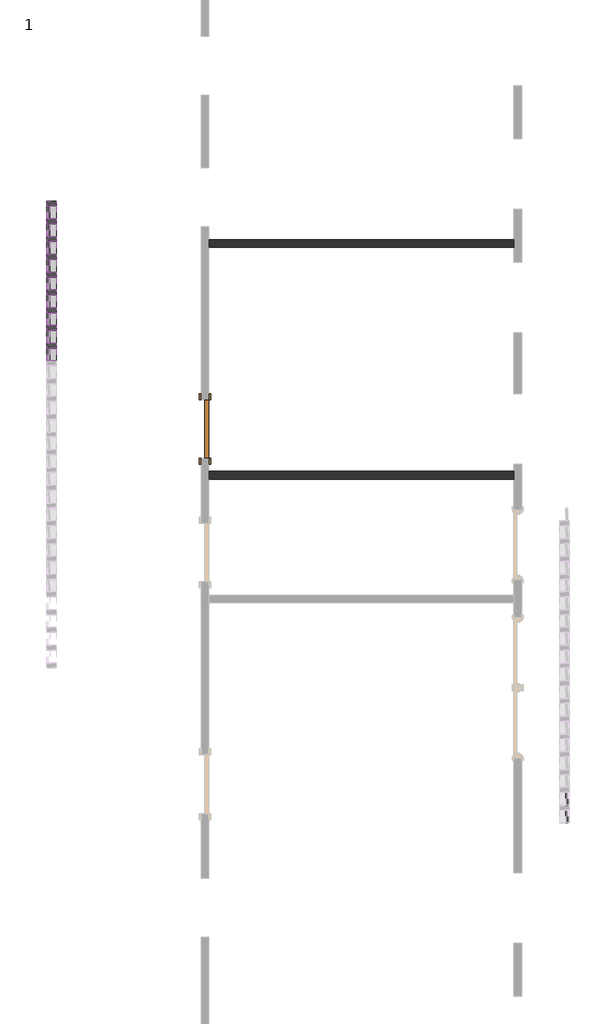
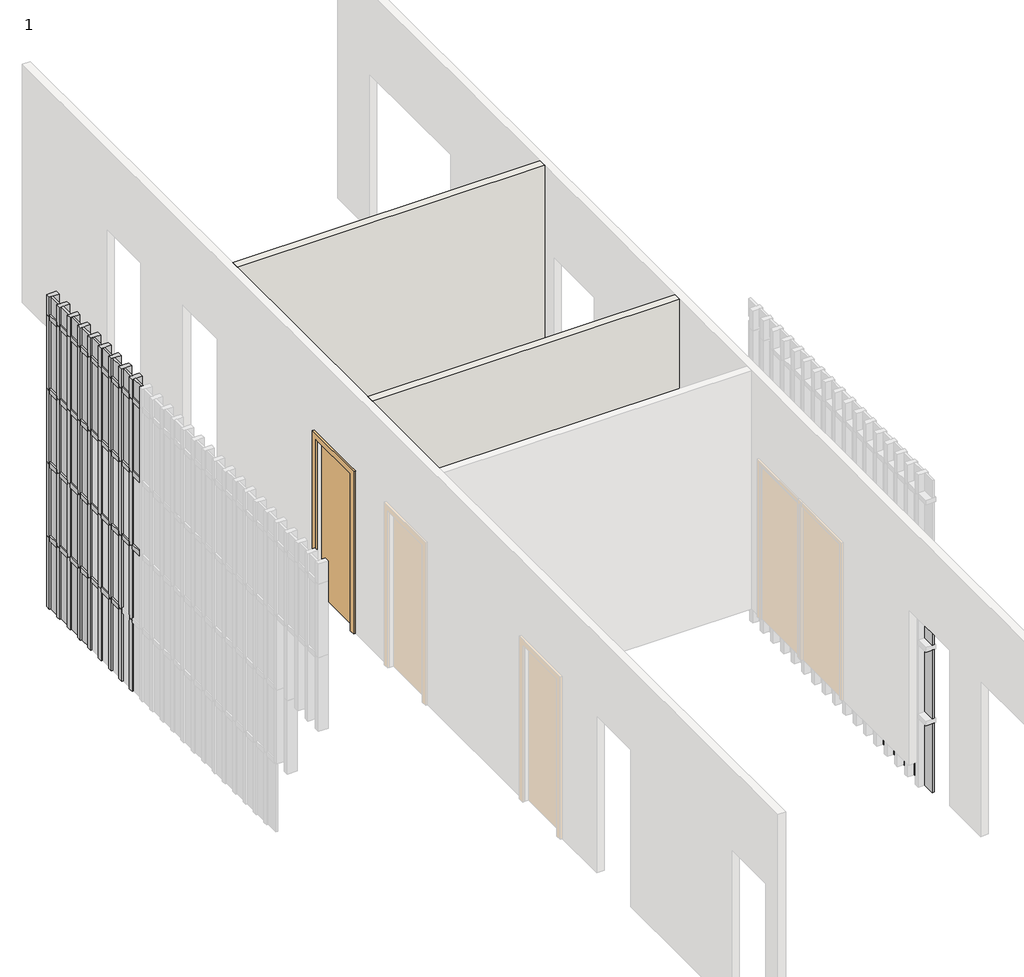
# One storey, part 28 of 40: 79 members, 42 plates, 2 walls, 1 door.
"""IFC4 building model written with IfcOpenShell, lengths in millimetres."""

import ifcopenshell
import ifcopenshell.guid

model = None  # the IFC model being written
_history = None  # IfcOwnerHistory: only IFC2X3 demands one
_inside = {}  # id of a spatial element -> (the spatial element, [elements in it])
_under = {}  # id of a project, library or spatial element -> (it, [spatial elements below it])
_declared = {}  # id of a project -> (the project, [libraries it declares])
_typed = {}  # id of a type object -> (the type object, [elements of that type])
_made_of = {}  # id of a material, layer set ... -> (it, [elements and type objects made of it])


def new_model(schema):
    """Start an empty IFC model of exactly this schema.

    Asked for "IFC4X3", IfcOpenShell would pick the latest addendum, in which some entities
    have other attributes; the version numbers below select the first issue.
    IFC2X3 requires an IfcOwnerHistory on every rooted entity: one is made here for all.
    """
    global model, _history
    if schema == "IFC4X3":
        model = ifcopenshell.file(schema_version=(4, 3, 0, 0))
    else:
        model = ifcopenshell.file(schema=schema)
    _inside.clear()
    _under.clear()
    _declared.clear()
    _typed.clear()
    _made_of.clear()
    _history = None
    if model.schema == "IFC2X3":
        org = make("IfcOrganization", Name="unknown")
        user = make(
            "IfcPersonAndOrganization",
            ThePerson=make("IfcPerson", FamilyName="unknown"),
            TheOrganization=org,
        )
        app = make(
            "IfcApplication",
            ApplicationDeveloper=org,
            Version="unknown",
            ApplicationFullName="unknown",
            ApplicationIdentifier="unknown",
        )
        _history = make(
            "IfcOwnerHistory",
            OwningUser=user,
            OwningApplication=app,
            ChangeAction="ADDED",
            CreationDate=0,
        )
    return model


def make(cls, **values):
    """One entity of the class cls with the attributes given. An attribute that is None is left unset."""
    return model.create_entity(
        cls, **{name: value for name, value in values.items() if value is not None}
    )


def rooted(cls, **values):
    """An entity with a GlobalId (a new one), such as an element, a storey or a relation."""
    return make(cls, GlobalId=ifcopenshell.guid.new(), OwnerHistory=_history, **values)


def si_unit(unit_type, name, prefix=None):
    """IfcSIUnit, for example si_unit("LENGTHUNIT", "METRE", prefix="MILLI")."""
    return make("IfcSIUnit", UnitType=unit_type, Prefix=prefix, Name=name)


def assignment(units):
    """IfcUnitAssignment: the units of a project."""
    return None if units is None else make("IfcUnitAssignment", Units=units)


def point(xyz):
    """IfcCartesianPoint."""
    return None if xyz is None else make("IfcCartesianPoint", Coordinates=xyz)


def direction(xyz):
    """IfcDirection."""
    return None if xyz is None else make("IfcDirection", DirectionRatios=xyz)


def frame(location, z_axis=None, x_axis=None):
    """IfcAxis2Placement3D, a coordinate frame: its origin and axes. An axis left out is left unset."""
    return make(
        "IfcAxis2Placement3D",
        Location=point(location),
        Axis=direction(z_axis),
        RefDirection=direction(x_axis),
    )


def origin():
    """The frame at (0, 0, 0) with its axes left unset."""
    return frame((0.0, 0.0, 0.0))


def origin_with_axes():
    """The frame at (0, 0, 0) with the z axis (0, 0, 1) and the x axis (1, 0, 0) written out."""
    return frame((0.0, 0.0, 0.0), z_axis=(0.0, 0.0, 1.0), x_axis=(1.0, 0.0, 0.0))


def place(relative_to, where):
    """IfcLocalPlacement: puts the frame where relative to a parent placement (None: the world)."""
    return make(
        "IfcLocalPlacement", PlacementRelTo=relative_to, RelativePlacement=where
    )


def context(
    kind, dimensions, precision=None, world=None, true_north=None, identifier=None
):
    """IfcGeometricRepresentationContext, for example the 3D "Model" context."""
    return make(
        "IfcGeometricRepresentationContext",
        ContextIdentifier=identifier,
        ContextType=kind,
        CoordinateSpaceDimension=dimensions,
        Precision=precision,
        WorldCoordinateSystem=world,
        TrueNorth=true_north,
    )


def project(units=None, contexts=None):
    """IfcProject with its units and contexts."""
    return rooted(
        "IfcProject",
        Name="project",
        RepresentationContexts=contexts,
        UnitsInContext=assignment(units),
    )


def spatial(cls, under=None, at=None, **own):
    """A site, building, storey or space (cls), placed at a placement, below another one or the project."""
    s = rooted(cls, ObjectPlacement=at, **own)
    if under is not None:
        _under.setdefault(under.id(), (under, []))[1].append(s)
    return s


def polyline(points):
    """IfcPolyline through the points."""
    return make("IfcPolyline", Points=[point(p) for p in points])


def outline(outer, holes=None, kind="AREA"):
    """IfcArbitraryClosedProfileDef: a profile drawn as a closed curve; with holes, ...WithVoids."""
    if holes is None:
        return make("IfcArbitraryClosedProfileDef", ProfileType=kind, OuterCurve=outer)
    return make(
        "IfcArbitraryProfileDefWithVoids",
        ProfileType=kind,
        OuterCurve=outer,
        InnerCurves=holes,
    )


def extrude(swept, where, along, depth):
    """IfcExtrudedAreaSolid: the profile swept, set in the frame where, extruded along a direction by depth."""
    return make(
        "IfcExtrudedAreaSolid",
        SweptArea=swept,
        Position=where,
        ExtrudedDirection=direction(along),
        Depth=depth,
    )


def shape(context_of_items, identifier, shape_type, items):
    """IfcShapeRepresentation: the items that make up one representation, for example the "Body"."""
    return make(
        "IfcShapeRepresentation",
        ContextOfItems=context_of_items,
        RepresentationIdentifier=identifier,
        RepresentationType=shape_type,
        Items=items,
    )


def source(mapping_origin, context_of_items, identifier, shape_type, items):
    """IfcRepresentationMap: a shape defined once, which mapped items show again and again."""
    return make(
        "IfcRepresentationMap",
        MappingOrigin=mapping_origin,
        MappedRepresentation=shape(context_of_items, identifier, shape_type, items),
    )


def transform(
    local_origin,
    x_axis=None,
    y_axis=None,
    z_axis=None,
    scale=None,
    scale2=None,
    scale3=None,
    uniform=True,
):
    """IfcCartesianTransformationOperator3D, or its non-uniform kind. x_axis, y_axis, z_axis: its Axis1, 2, 3."""
    if uniform:
        return make(
            "IfcCartesianTransformationOperator3D",
            Axis1=direction(x_axis),
            Axis2=direction(y_axis),
            LocalOrigin=point(local_origin),
            Scale=scale,
            Axis3=direction(z_axis),
        )
    return make(
        "IfcCartesianTransformationOperator3DnonUniform",
        Axis1=direction(x_axis),
        Axis2=direction(y_axis),
        LocalOrigin=point(local_origin),
        Scale=scale,
        Axis3=direction(z_axis),
        Scale2=scale2,
        Scale3=scale3,
    )


def mapped(mapping_source, mapping_target):
    """IfcMappedItem: shows the shape of a source again, moved by a transform."""
    return make(
        "IfcMappedItem", MappingSource=mapping_source, MappingTarget=mapping_target
    )


def made_of(thing, what):
    """Note that an element or type object is made of a material, layer set ...; save() writes the relation."""
    if what is not None:
        _made_of.setdefault(what.id(), (what, []))[1].append(thing)
    return thing


def element(
    cls,
    number,
    at=None,
    inside=None,
    cuts=None,
    type_object=None,
    material=None,
    context=None,
    identifier="Body",
    shape_type=None,
    held_by="IfcProductDefinitionShape",
    body=None,
    shapes=None,
    **own,
):
    """One element of the class cls, such as IfcWall. Its Tag is "e" and its number.

    at: its placement. inside: the storey or other place that contains it. cuts: it is an
    opening in that element (IfcRelVoidsElement). A single representation is given by context,
    identifier, shape_type and body (its items); several are given by shapes. held_by: the class
    of the entity that holds the representations. save() writes the other relations.
    """
    e = rooted(cls, Tag="e%d" % number, ObjectPlacement=at, **own)
    if body is not None:
        shapes = [shape(context, identifier, shape_type, body)]
    if shapes is not None:
        e.Representation = make(held_by, Representations=shapes)
    if inside is not None:
        _inside.setdefault(inside.id(), (inside, []))[1].append(e)
    if cuts is not None:
        rooted(
            "IfcRelVoidsElement", RelatingBuildingElement=cuts, RelatedOpeningElement=e
        )
    if type_object is not None:
        _typed.setdefault(type_object.id(), (type_object, []))[1].append(e)
    return made_of(e, material)


def aggregate(whole, parts):
    """IfcRelAggregates: a whole, such as a stair, and the parts it consists of."""
    return rooted("IfcRelAggregates", RelatingObject=whole, RelatedObjects=parts)


def save(model, path):
    """Write the relations noted so far, then the file.

    IfcRelAggregates (storeys below a building ...), IfcRelContainedInSpatialStructure (elements
    in a storey), IfcRelDefinesByType, IfcRelAssociatesMaterial and IfcRelDeclares: one each for
    every whole, place, type object, material and project.
    """
    for whole, parts in _under.values():
        aggregate(whole, parts)
    for where, things in _inside.values():
        rooted(
            "IfcRelContainedInSpatialStructure",
            RelatedElements=things,
            RelatingStructure=where,
        )
    for kind, things in _typed.values():
        rooted("IfcRelDefinesByType", RelatedObjects=things, RelatingType=kind)
    for what, things in _made_of.values():
        rooted("IfcRelAssociatesMaterial", RelatedObjects=things, RelatingMaterial=what)
    for by, libraries in _declared.values():
        rooted("IfcRelDeclares", RelatingContext=by, RelatedDefinitions=libraries)
    model.write(path)


def door_a6e3da16(model_context):
    return source(origin(), model_context, "Body", "SweptSolid", [
        extrude(outline(polyline([(2209.8, -457.2), (0.0, -457.2), (0.0, -381.0), (2133.6, -381.0), (2133.6, 381.0), (0.0, 381.0), (0.0, 457.2), (2209.8, 457.2), (2209.8, -457.2)])), frame((0.0, 50.0, 0.0), z_axis=(0.0, 1.0, 0.0), x_axis=(0.0, 0.0, 1.0)), (0.0, 0.0, 1.0), 25.4),
        extrude(outline(polyline([(2209.8, 457.2), (2209.8, -457.2), (0.0, -457.2), (0.0, -381.0), (2133.6, -381.0), (2133.6, 381.0), (0.0, 381.0), (0.0, 457.2), (2209.8, 457.2)])), frame((0.0, -75.4, 0.0), z_axis=(0.0, 1.0, 0.0), x_axis=(0.0, 0.0, 1.0)), (0.0, 0.0, 1.0), 25.4),
        extrude(outline(polyline([(381.0, -0.8), (-381.0, -0.8), (-381.0, 50.0), (381.0, 50.0), (381.0, -0.8)])), origin_with_axes(), (0.0, 0.0, 1.0), 2133.6),
    ])


def rectangular_mullion_rectangular_mullion_1_018ae7aa(model_context):
    return source(origin(), model_context, "Body", "SweptSolid", [
        extrude(outline(polyline([(31.75, 63.5), (31.75, -63.5), (-31.75, -63.5), (-31.75, 63.5), (31.75, 63.5)])), frame((0.0, 0.0, -166.5), z_axis=(0.0, 0.0, 1.0), x_axis=(1.0, 0.0, 0.0)), (0.0, 0.0, 1.0), 166.5),
    ])


def rectangular_mullion_rectangular_mullion_1_43f49249(model_context):
    return source(origin(), model_context, "Body", "SweptSolid", [
        extrude(outline(polyline([(31.75, 63.5), (31.75, -63.5), (-31.75, -63.5), (-31.75, 63.5), (31.75, 63.5)])), frame((0.0, 0.0, -968.25), z_axis=(0.0, 0.0, 1.0), x_axis=(1.0, 0.0, 0.0)), (0.0, 0.0, 1.0), 968.25),
    ])


def rectangular_mullion_rectangular_mullion_1_0daabb75(model_context):
    return source(origin(), model_context, "Body", "SweptSolid", [
        extrude(outline(polyline([(31.75, 63.5), (31.75, -63.5), (-31.75, -63.5), (-31.75, 63.5), (31.75, 63.5)])), frame((0.0, 0.0, -1000.0), z_axis=(0.0, 0.0, 1.0), x_axis=(1.0, 0.0, 0.0)), (0.0, 0.0, 1.0), 1000.0),
    ])


def rectangular_mullion_rectangular_mullion_1_7425881c(model_context):
    return source(origin(), model_context, "Body", "SweptSolid", [
        extrude(outline(polyline([(31.75, 63.5), (31.75, -63.5), (-31.75, -63.5), (-31.75, 63.5), (31.75, 63.5)])), frame((0.0, 0.0, -271.75), z_axis=(0.0, 0.0, 1.0), x_axis=(1.0, 0.0, 0.0)), (0.0, 0.0, 1.0), 271.75),
    ])


def system_panel_glazed_637935cf(model_context):
    return source(origin(), model_context, "Body", "SweptSolid", [
        extrude(outline(polyline([(83.25, -44.45), (-83.25, -44.45), (-83.25, -19.05), (83.25, -19.05), (83.25, -44.45)])), origin_with_axes(), (0.0, 0.0, 1.0), 936.5),
    ])


def system_panel_glazed_77c431bc(model_context):
    return source(origin(), model_context, "Body", "SweptSolid", [
        extrude(outline(polyline([(83.25, 19.05), (-83.25, 19.05), (-83.25, 44.45), (83.25, 44.45), (83.25, 19.05)])), origin_with_axes(), (0.0, 0.0, 1.0), 936.5),
    ])


def system_panel_glazed_fef320bd(model_context):
    return source(origin(), model_context, "Body", "SweptSolid", [
        extrude(outline(polyline([(83.25, 19.05), (-83.25, 19.05), (-83.25, 44.45), (83.25, 44.45), (83.25, 19.05)])), origin_with_axes(), (0.0, 0.0, 1.0), 240.0),
    ])


model = new_model("IFC4")

# Units and contexts
model_context = context("Model", 3, world=origin())
ifc_project = project(units=[si_unit("LENGTHUNIT", "METRE", prefix="MILLI")], contexts=[model_context])

# Site, building, storey
site = spatial("IfcSite", under=ifc_project)
building = spatial("IfcBuilding", under=site)
storey = spatial("IfcBuildingStorey", under=building, Name="1", Elevation=3600.0)

# Door
placement = place(None, origin())
door_shape = door_a6e3da16(model_context)
element("IfcDoor", 1, ObjectType="Single-Flush : 30\" x 84\"", at=placement, inside=storey, context=model_context, shape_type="MappedRepresentation", body=[
    mapped(door_shape, transform((4109.3871269, 5076.9445338, 3600.0), x_axis=(0.0, -1.0, 0.0), y_axis=(1.0, 0.0, 0.0), z_axis=(0.0, 0.0, 1.0))),
])

# Members
rectangular_mullion_rectangular_mullion_1_shape = rectangular_mullion_rectangular_mullion_1_018ae7aa(model_context)
element("IfcMember", 2, ObjectType="Rectangular Mullion : Rectangular Mullion 1", at=placement, inside=storey, context=model_context, shape_type="MappedRepresentation", body=[
    mapped(rectangular_mullion_rectangular_mullion_1_shape, transform((2122.3871269, 6583.4445338, 3568.25), x_axis=(0.0, 0.0, 1.0), y_axis=(1.0, 0.0, 0.0), z_axis=(0.0, 1.0, 0.0))),
])
element("IfcMember", 3, ObjectType="Rectangular Mullion : Rectangular Mullion 1", at=placement, inside=storey, context=model_context, shape_type="MappedRepresentation", body=[
    mapped(rectangular_mullion_rectangular_mullion_1_shape, transform((2122.3871269, 6813.4445338, 3568.25), x_axis=(0.0, 0.0, 1.0), y_axis=(1.0, 0.0, 0.0), z_axis=(0.0, 1.0, 0.0))),
])
element("IfcMember", 4, ObjectType="Rectangular Mullion : Rectangular Mullion 1", at=placement, inside=storey, context=model_context, shape_type="MappedRepresentation", body=[
    mapped(rectangular_mullion_rectangular_mullion_1_shape, transform((2122.3871269, 7043.4445338, 3568.25), x_axis=(0.0, 0.0, 1.0), y_axis=(1.0, 0.0, 0.0), z_axis=(0.0, 1.0, 0.0))),
])
element("IfcMember", 5, ObjectType="Rectangular Mullion : Rectangular Mullion 1", at=placement, inside=storey, context=model_context, shape_type="MappedRepresentation", body=[
    mapped(rectangular_mullion_rectangular_mullion_1_shape, transform((2122.3871269, 7273.4445338, 3568.25), x_axis=(0.0, 0.0, 1.0), y_axis=(1.0, 0.0, 0.0), z_axis=(0.0, 1.0, 0.0))),
])
element("IfcMember", 6, ObjectType="Rectangular Mullion : Rectangular Mullion 1", at=placement, inside=storey, context=model_context, shape_type="MappedRepresentation", body=[
    mapped(rectangular_mullion_rectangular_mullion_1_shape, transform((2122.3871269, 7503.4445338, 3568.25), x_axis=(0.0, 0.0, 1.0), y_axis=(1.0, 0.0, 0.0), z_axis=(0.0, 1.0, 0.0))),
])
element("IfcMember", 7, ObjectType="Rectangular Mullion : Rectangular Mullion 1", at=placement, inside=storey, context=model_context, shape_type="MappedRepresentation", body=[
    mapped(rectangular_mullion_rectangular_mullion_1_shape, transform((2122.3871269, 7733.4445338, 3568.25), x_axis=(0.0, 0.0, 1.0), y_axis=(1.0, 0.0, 0.0), z_axis=(0.0, 1.0, 0.0))),
])
element("IfcMember", 8, ObjectType="Rectangular Mullion : Rectangular Mullion 1", at=placement, inside=storey, context=model_context, shape_type="MappedRepresentation", body=[
    mapped(rectangular_mullion_rectangular_mullion_1_shape, transform((2122.3871269, 7963.4445338, 3568.25), x_axis=(0.0, 0.0, 1.0), y_axis=(1.0, 0.0, 0.0), z_axis=(0.0, 1.0, 0.0))),
])
element("IfcMember", 9, ObjectType="Rectangular Mullion : Rectangular Mullion 1", at=placement, inside=storey, context=model_context, shape_type="MappedRepresentation", body=[
    mapped(rectangular_mullion_rectangular_mullion_1_shape, transform((2122.3871269, 6123.4445338, 4568.25), x_axis=(0.0, 0.0, 1.0), y_axis=(1.0, 0.0, 0.0), z_axis=(0.0, 1.0, 0.0))),
])
element("IfcMember", 10, ObjectType="Rectangular Mullion : Rectangular Mullion 1", at=placement, inside=storey, context=model_context, shape_type="MappedRepresentation", body=[
    mapped(rectangular_mullion_rectangular_mullion_1_shape, transform((2122.3871269, 6353.4445338, 4568.25), x_axis=(0.0, 0.0, 1.0), y_axis=(1.0, 0.0, 0.0), z_axis=(0.0, 1.0, 0.0))),
])
element("IfcMember", 11, ObjectType="Rectangular Mullion : Rectangular Mullion 1", at=placement, inside=storey, context=model_context, shape_type="MappedRepresentation", body=[
    mapped(rectangular_mullion_rectangular_mullion_1_shape, transform((2122.3871269, 6583.4445338, 4568.25), x_axis=(0.0, 0.0, 1.0), y_axis=(1.0, 0.0, 0.0), z_axis=(0.0, 1.0, 0.0))),
])
element("IfcMember", 12, ObjectType="Rectangular Mullion : Rectangular Mullion 1", at=placement, inside=storey, context=model_context, shape_type="MappedRepresentation", body=[
    mapped(rectangular_mullion_rectangular_mullion_1_shape, transform((2122.3871269, 6813.4445338, 4568.25), x_axis=(0.0, 0.0, 1.0), y_axis=(1.0, 0.0, 0.0), z_axis=(0.0, 1.0, 0.0))),
])
element("IfcMember", 13, ObjectType="Rectangular Mullion : Rectangular Mullion 1", at=placement, inside=storey, context=model_context, shape_type="MappedRepresentation", body=[
    mapped(rectangular_mullion_rectangular_mullion_1_shape, transform((2122.3871269, 7043.4445338, 4568.25), x_axis=(0.0, 0.0, 1.0), y_axis=(1.0, 0.0, 0.0), z_axis=(0.0, 1.0, 0.0))),
])
element("IfcMember", 14, ObjectType="Rectangular Mullion : Rectangular Mullion 1", at=placement, inside=storey, context=model_context, shape_type="MappedRepresentation", body=[
    mapped(rectangular_mullion_rectangular_mullion_1_shape, transform((2122.3871269, 7273.4445338, 4568.25), x_axis=(0.0, 0.0, 1.0), y_axis=(1.0, 0.0, 0.0), z_axis=(0.0, 1.0, 0.0))),
])
element("IfcMember", 15, ObjectType="Rectangular Mullion : Rectangular Mullion 1", at=placement, inside=storey, context=model_context, shape_type="MappedRepresentation", body=[
    mapped(rectangular_mullion_rectangular_mullion_1_shape, transform((2122.3871269, 7503.4445338, 4568.25), x_axis=(0.0, 0.0, 1.0), y_axis=(1.0, 0.0, 0.0), z_axis=(0.0, 1.0, 0.0))),
])
element("IfcMember", 16, ObjectType="Rectangular Mullion : Rectangular Mullion 1", at=placement, inside=storey, context=model_context, shape_type="MappedRepresentation", body=[
    mapped(rectangular_mullion_rectangular_mullion_1_shape, transform((2122.3871269, 7733.4445338, 4568.25), x_axis=(0.0, 0.0, 1.0), y_axis=(1.0, 0.0, 0.0), z_axis=(0.0, 1.0, 0.0))),
])
element("IfcMember", 17, ObjectType="Rectangular Mullion : Rectangular Mullion 1", at=placement, inside=storey, context=model_context, shape_type="MappedRepresentation", body=[
    mapped(rectangular_mullion_rectangular_mullion_1_shape, transform((2122.3871269, 7963.4445338, 4568.25), x_axis=(0.0, 0.0, 1.0), y_axis=(1.0, 0.0, 0.0), z_axis=(0.0, 1.0, 0.0))),
])
element("IfcMember", 18, ObjectType="Rectangular Mullion : Rectangular Mullion 1", at=placement, inside=storey, context=model_context, shape_type="MappedRepresentation", body=[
    mapped(rectangular_mullion_rectangular_mullion_1_shape, transform((2122.3871269, 6123.4445338, 5568.25), x_axis=(0.0, 0.0, 1.0), y_axis=(1.0, 0.0, 0.0), z_axis=(0.0, 1.0, 0.0))),
])
element("IfcMember", 19, ObjectType="Rectangular Mullion : Rectangular Mullion 1", at=placement, inside=storey, context=model_context, shape_type="MappedRepresentation", body=[
    mapped(rectangular_mullion_rectangular_mullion_1_shape, transform((2122.3871269, 6353.4445338, 5568.25), x_axis=(0.0, 0.0, 1.0), y_axis=(1.0, 0.0, 0.0), z_axis=(0.0, 1.0, 0.0))),
])
element("IfcMember", 20, ObjectType="Rectangular Mullion : Rectangular Mullion 1", at=placement, inside=storey, context=model_context, shape_type="MappedRepresentation", body=[
    mapped(rectangular_mullion_rectangular_mullion_1_shape, transform((2122.3871269, 6583.4445338, 5568.25), x_axis=(0.0, 0.0, 1.0), y_axis=(1.0, 0.0, 0.0), z_axis=(0.0, 1.0, 0.0))),
])
element("IfcMember", 21, ObjectType="Rectangular Mullion : Rectangular Mullion 1", at=placement, inside=storey, context=model_context, shape_type="MappedRepresentation", body=[
    mapped(rectangular_mullion_rectangular_mullion_1_shape, transform((2122.3871269, 6813.4445338, 5568.25), x_axis=(0.0, 0.0, 1.0), y_axis=(1.0, 0.0, 0.0), z_axis=(0.0, 1.0, 0.0))),
])
element("IfcMember", 22, ObjectType="Rectangular Mullion : Rectangular Mullion 1", at=placement, inside=storey, context=model_context, shape_type="MappedRepresentation", body=[
    mapped(rectangular_mullion_rectangular_mullion_1_shape, transform((2122.3871269, 7043.4445338, 5568.25), x_axis=(0.0, 0.0, 1.0), y_axis=(1.0, 0.0, 0.0), z_axis=(0.0, 1.0, 0.0))),
])
element("IfcMember", 23, ObjectType="Rectangular Mullion : Rectangular Mullion 1", at=placement, inside=storey, context=model_context, shape_type="MappedRepresentation", body=[
    mapped(rectangular_mullion_rectangular_mullion_1_shape, transform((2122.3871269, 7273.4445338, 5568.25), x_axis=(0.0, 0.0, 1.0), y_axis=(1.0, 0.0, 0.0), z_axis=(0.0, 1.0, 0.0))),
])
element("IfcMember", 24, ObjectType="Rectangular Mullion : Rectangular Mullion 1", at=placement, inside=storey, context=model_context, shape_type="MappedRepresentation", body=[
    mapped(rectangular_mullion_rectangular_mullion_1_shape, transform((2122.3871269, 7503.4445338, 5568.25), x_axis=(0.0, 0.0, 1.0), y_axis=(1.0, 0.0, 0.0), z_axis=(0.0, 1.0, 0.0))),
])
element("IfcMember", 25, ObjectType="Rectangular Mullion : Rectangular Mullion 1", at=placement, inside=storey, context=model_context, shape_type="MappedRepresentation", body=[
    mapped(rectangular_mullion_rectangular_mullion_1_shape, transform((2122.3871269, 7733.4445338, 5568.25), x_axis=(0.0, 0.0, 1.0), y_axis=(1.0, 0.0, 0.0), z_axis=(0.0, 1.0, 0.0))),
])
element("IfcMember", 26, ObjectType="Rectangular Mullion : Rectangular Mullion 1", at=placement, inside=storey, context=model_context, shape_type="MappedRepresentation", body=[
    mapped(rectangular_mullion_rectangular_mullion_1_shape, transform((2122.3871269, 7963.4445338, 5568.25), x_axis=(0.0, 0.0, 1.0), y_axis=(1.0, 0.0, 0.0), z_axis=(0.0, 1.0, 0.0))),
])
element("IfcMember", 27, ObjectType="Rectangular Mullion : Rectangular Mullion 1", at=placement, inside=storey, context=model_context, shape_type="MappedRepresentation", body=[
    mapped(rectangular_mullion_rectangular_mullion_1_shape, transform((2122.3871269, 6123.4445338, 6568.25), x_axis=(0.0, 0.0, 1.0), y_axis=(1.0, 0.0, 0.0), z_axis=(0.0, 1.0, 0.0))),
])
element("IfcMember", 28, ObjectType="Rectangular Mullion : Rectangular Mullion 1", at=placement, inside=storey, context=model_context, shape_type="MappedRepresentation", body=[
    mapped(rectangular_mullion_rectangular_mullion_1_shape, transform((2122.3871269, 6353.4445338, 6568.25), x_axis=(0.0, 0.0, 1.0), y_axis=(1.0, 0.0, 0.0), z_axis=(0.0, 1.0, 0.0))),
])
element("IfcMember", 29, ObjectType="Rectangular Mullion : Rectangular Mullion 1", at=placement, inside=storey, context=model_context, shape_type="MappedRepresentation", body=[
    mapped(rectangular_mullion_rectangular_mullion_1_shape, transform((2122.3871269, 6583.4445338, 6568.25), x_axis=(0.0, 0.0, 1.0), y_axis=(1.0, 0.0, 0.0), z_axis=(0.0, 1.0, 0.0))),
])
element("IfcMember", 30, ObjectType="Rectangular Mullion : Rectangular Mullion 1", at=placement, inside=storey, context=model_context, shape_type="MappedRepresentation", body=[
    mapped(rectangular_mullion_rectangular_mullion_1_shape, transform((2122.3871269, 6813.4445338, 6568.25), x_axis=(0.0, 0.0, 1.0), y_axis=(1.0, 0.0, 0.0), z_axis=(0.0, 1.0, 0.0))),
])
element("IfcMember", 31, ObjectType="Rectangular Mullion : Rectangular Mullion 1", at=placement, inside=storey, context=model_context, shape_type="MappedRepresentation", body=[
    mapped(rectangular_mullion_rectangular_mullion_1_shape, transform((2122.3871269, 7043.4445338, 6568.25), x_axis=(0.0, 0.0, 1.0), y_axis=(1.0, 0.0, 0.0), z_axis=(0.0, 1.0, 0.0))),
])
element("IfcMember", 32, ObjectType="Rectangular Mullion : Rectangular Mullion 1", at=placement, inside=storey, context=model_context, shape_type="MappedRepresentation", body=[
    mapped(rectangular_mullion_rectangular_mullion_1_shape, transform((2122.3871269, 7273.4445338, 6568.25), x_axis=(0.0, 0.0, 1.0), y_axis=(1.0, 0.0, 0.0), z_axis=(0.0, 1.0, 0.0))),
])
element("IfcMember", 33, ObjectType="Rectangular Mullion : Rectangular Mullion 1", at=placement, inside=storey, context=model_context, shape_type="MappedRepresentation", body=[
    mapped(rectangular_mullion_rectangular_mullion_1_shape, transform((2122.3871269, 7503.4445338, 6568.25), x_axis=(0.0, 0.0, 1.0), y_axis=(1.0, 0.0, 0.0), z_axis=(0.0, 1.0, 0.0))),
])
element("IfcMember", 34, ObjectType="Rectangular Mullion : Rectangular Mullion 1", at=placement, inside=storey, context=model_context, shape_type="MappedRepresentation", body=[
    mapped(rectangular_mullion_rectangular_mullion_1_shape, transform((2122.3871269, 7733.4445338, 6568.25), x_axis=(0.0, 0.0, 1.0), y_axis=(1.0, 0.0, 0.0), z_axis=(0.0, 1.0, 0.0))),
])
element("IfcMember", 35, ObjectType="Rectangular Mullion : Rectangular Mullion 1", at=placement, inside=storey, context=model_context, shape_type="MappedRepresentation", body=[
    mapped(rectangular_mullion_rectangular_mullion_1_shape, transform((2122.3871269, 7963.4445338, 6568.25), x_axis=(0.0, 0.0, 1.0), y_axis=(1.0, 0.0, 0.0), z_axis=(0.0, 1.0, 0.0))),
])
rectangular_mullion_rectangular_mullion_1_2_shape = rectangular_mullion_rectangular_mullion_1_43f49249(model_context)
element("IfcMember", 36, ObjectType="Rectangular Mullion : Rectangular Mullion 1", at=placement, inside=storey, context=model_context, shape_type="MappedRepresentation", body=[
    mapped(rectangular_mullion_rectangular_mullion_1_2_shape, transform((2122.3871269, 6155.1945338, 2600.0), x_axis=(0.0, 1.0, 0.0), y_axis=(1.0, 0.0, 0.0), z_axis=(0.0, 0.0, -1.0))),
])
element("IfcMember", 37, ObjectType="Rectangular Mullion : Rectangular Mullion 1", at=placement, inside=storey, context=model_context, shape_type="MappedRepresentation", body=[
    mapped(rectangular_mullion_rectangular_mullion_1_2_shape, transform((2122.3871269, 6385.1945338, 2600.0), x_axis=(0.0, 1.0, 0.0), y_axis=(1.0, 0.0, 0.0), z_axis=(0.0, 0.0, -1.0))),
])
element("IfcMember", 38, ObjectType="Rectangular Mullion : Rectangular Mullion 1", at=placement, inside=storey, context=model_context, shape_type="MappedRepresentation", body=[
    mapped(rectangular_mullion_rectangular_mullion_1_2_shape, transform((2122.3871269, 6615.1945338, 2600.0), x_axis=(0.0, 1.0, 0.0), y_axis=(1.0, 0.0, 0.0), z_axis=(0.0, 0.0, -1.0))),
])
element("IfcMember", 39, ObjectType="Rectangular Mullion : Rectangular Mullion 1", at=placement, inside=storey, context=model_context, shape_type="MappedRepresentation", body=[
    mapped(rectangular_mullion_rectangular_mullion_1_2_shape, transform((2122.3871269, 6845.1945338, 2600.0), x_axis=(0.0, 1.0, 0.0), y_axis=(1.0, 0.0, 0.0), z_axis=(0.0, 0.0, -1.0))),
])
element("IfcMember", 40, ObjectType="Rectangular Mullion : Rectangular Mullion 1", at=placement, inside=storey, context=model_context, shape_type="MappedRepresentation", body=[
    mapped(rectangular_mullion_rectangular_mullion_1_2_shape, transform((2122.3871269, 7075.1945338, 2600.0), x_axis=(0.0, 1.0, 0.0), y_axis=(1.0, 0.0, 0.0), z_axis=(0.0, 0.0, -1.0))),
])
element("IfcMember", 41, ObjectType="Rectangular Mullion : Rectangular Mullion 1", at=placement, inside=storey, context=model_context, shape_type="MappedRepresentation", body=[
    mapped(rectangular_mullion_rectangular_mullion_1_2_shape, transform((2122.3871269, 7305.1945338, 2600.0), x_axis=(0.0, 1.0, 0.0), y_axis=(1.0, 0.0, 0.0), z_axis=(0.0, 0.0, -1.0))),
])
element("IfcMember", 42, ObjectType="Rectangular Mullion : Rectangular Mullion 1", at=placement, inside=storey, context=model_context, shape_type="MappedRepresentation", body=[
    mapped(rectangular_mullion_rectangular_mullion_1_2_shape, transform((2122.3871269, 7535.1945338, 2600.0), x_axis=(0.0, 1.0, 0.0), y_axis=(1.0, 0.0, 0.0), z_axis=(0.0, 0.0, -1.0))),
])
element("IfcMember", 43, ObjectType="Rectangular Mullion : Rectangular Mullion 1", at=placement, inside=storey, context=model_context, shape_type="MappedRepresentation", body=[
    mapped(rectangular_mullion_rectangular_mullion_1_2_shape, transform((2122.3871269, 7765.1945338, 2600.0), x_axis=(0.0, 1.0, 0.0), y_axis=(1.0, 0.0, 0.0), z_axis=(0.0, 0.0, -1.0))),
])
element("IfcMember", 44, ObjectType="Rectangular Mullion : Rectangular Mullion 1", at=placement, inside=storey, context=model_context, shape_type="MappedRepresentation", body=[
    mapped(rectangular_mullion_rectangular_mullion_1_2_shape, transform((2122.3871269, 7995.1945338, 2600.0), x_axis=(0.0, 1.0, 0.0), y_axis=(1.0, 0.0, 0.0), z_axis=(0.0, 0.0, -1.0))),
])
rectangular_mullion_rectangular_mullion_1_3_shape = rectangular_mullion_rectangular_mullion_1_0daabb75(model_context)
element("IfcMember", 45, ObjectType="Rectangular Mullion : Rectangular Mullion 1", at=placement, inside=storey, context=model_context, shape_type="MappedRepresentation", body=[
    mapped(rectangular_mullion_rectangular_mullion_1_3_shape, transform((2122.3871269, 6155.1945338, 3568.25), x_axis=(0.0, 1.0, 0.0), y_axis=(1.0, 0.0, 0.0), z_axis=(0.0, 0.0, -1.0))),
])
element("IfcMember", 46, ObjectType="Rectangular Mullion : Rectangular Mullion 1", at=placement, inside=storey, context=model_context, shape_type="MappedRepresentation", body=[
    mapped(rectangular_mullion_rectangular_mullion_1_3_shape, transform((2122.3871269, 6385.1945338, 3568.25), x_axis=(0.0, 1.0, 0.0), y_axis=(1.0, 0.0, 0.0), z_axis=(0.0, 0.0, -1.0))),
])
element("IfcMember", 47, ObjectType="Rectangular Mullion : Rectangular Mullion 1", at=placement, inside=storey, context=model_context, shape_type="MappedRepresentation", body=[
    mapped(rectangular_mullion_rectangular_mullion_1_3_shape, transform((2122.3871269, 6615.1945338, 3568.25), x_axis=(0.0, 1.0, 0.0), y_axis=(1.0, 0.0, 0.0), z_axis=(0.0, 0.0, -1.0))),
])
element("IfcMember", 48, ObjectType="Rectangular Mullion : Rectangular Mullion 1", at=placement, inside=storey, context=model_context, shape_type="MappedRepresentation", body=[
    mapped(rectangular_mullion_rectangular_mullion_1_3_shape, transform((2122.3871269, 6845.1945338, 3568.25), x_axis=(0.0, 1.0, 0.0), y_axis=(1.0, 0.0, 0.0), z_axis=(0.0, 0.0, -1.0))),
])
element("IfcMember", 49, ObjectType="Rectangular Mullion : Rectangular Mullion 1", at=placement, inside=storey, context=model_context, shape_type="MappedRepresentation", body=[
    mapped(rectangular_mullion_rectangular_mullion_1_3_shape, transform((2122.3871269, 7075.1945338, 3568.25), x_axis=(0.0, 1.0, 0.0), y_axis=(1.0, 0.0, 0.0), z_axis=(0.0, 0.0, -1.0))),
])
element("IfcMember", 50, ObjectType="Rectangular Mullion : Rectangular Mullion 1", at=placement, inside=storey, context=model_context, shape_type="MappedRepresentation", body=[
    mapped(rectangular_mullion_rectangular_mullion_1_3_shape, transform((2122.3871269, 7305.1945338, 3568.25), x_axis=(0.0, 1.0, 0.0), y_axis=(1.0, 0.0, 0.0), z_axis=(0.0, 0.0, -1.0))),
])
element("IfcMember", 51, ObjectType="Rectangular Mullion : Rectangular Mullion 1", at=placement, inside=storey, context=model_context, shape_type="MappedRepresentation", body=[
    mapped(rectangular_mullion_rectangular_mullion_1_3_shape, transform((2122.3871269, 7535.1945338, 3568.25), x_axis=(0.0, 1.0, 0.0), y_axis=(1.0, 0.0, 0.0), z_axis=(0.0, 0.0, -1.0))),
])
element("IfcMember", 52, ObjectType="Rectangular Mullion : Rectangular Mullion 1", at=placement, inside=storey, context=model_context, shape_type="MappedRepresentation", body=[
    mapped(rectangular_mullion_rectangular_mullion_1_3_shape, transform((2122.3871269, 7765.1945338, 3568.25), x_axis=(0.0, 1.0, 0.0), y_axis=(1.0, 0.0, 0.0), z_axis=(0.0, 0.0, -1.0))),
])
element("IfcMember", 53, ObjectType="Rectangular Mullion : Rectangular Mullion 1", at=placement, inside=storey, context=model_context, shape_type="MappedRepresentation", body=[
    mapped(rectangular_mullion_rectangular_mullion_1_3_shape, transform((2122.3871269, 7995.1945338, 3568.25), x_axis=(0.0, 1.0, 0.0), y_axis=(1.0, 0.0, 0.0), z_axis=(0.0, 0.0, -1.0))),
])
element("IfcMember", 54, ObjectType="Rectangular Mullion : Rectangular Mullion 1", at=placement, inside=storey, context=model_context, shape_type="MappedRepresentation", body=[
    mapped(rectangular_mullion_rectangular_mullion_1_3_shape, transform((2122.3871269, 6155.1945338, 4568.25), x_axis=(0.0, 1.0, 0.0), y_axis=(1.0, 0.0, 0.0), z_axis=(0.0, 0.0, -1.0))),
])
element("IfcMember", 55, ObjectType="Rectangular Mullion : Rectangular Mullion 1", at=placement, inside=storey, context=model_context, shape_type="MappedRepresentation", body=[
    mapped(rectangular_mullion_rectangular_mullion_1_3_shape, transform((2122.3871269, 6385.1945338, 4568.25), x_axis=(0.0, 1.0, 0.0), y_axis=(1.0, 0.0, 0.0), z_axis=(0.0, 0.0, -1.0))),
])
element("IfcMember", 56, ObjectType="Rectangular Mullion : Rectangular Mullion 1", at=placement, inside=storey, context=model_context, shape_type="MappedRepresentation", body=[
    mapped(rectangular_mullion_rectangular_mullion_1_3_shape, transform((2122.3871269, 6615.1945338, 4568.25), x_axis=(0.0, 1.0, 0.0), y_axis=(1.0, 0.0, 0.0), z_axis=(0.0, 0.0, -1.0))),
])
element("IfcMember", 57, ObjectType="Rectangular Mullion : Rectangular Mullion 1", at=placement, inside=storey, context=model_context, shape_type="MappedRepresentation", body=[
    mapped(rectangular_mullion_rectangular_mullion_1_3_shape, transform((2122.3871269, 6845.1945338, 4568.25), x_axis=(0.0, 1.0, 0.0), y_axis=(1.0, 0.0, 0.0), z_axis=(0.0, 0.0, -1.0))),
])
element("IfcMember", 58, ObjectType="Rectangular Mullion : Rectangular Mullion 1", at=placement, inside=storey, context=model_context, shape_type="MappedRepresentation", body=[
    mapped(rectangular_mullion_rectangular_mullion_1_3_shape, transform((2122.3871269, 7075.1945338, 4568.25), x_axis=(0.0, 1.0, 0.0), y_axis=(1.0, 0.0, 0.0), z_axis=(0.0, 0.0, -1.0))),
])
element("IfcMember", 59, ObjectType="Rectangular Mullion : Rectangular Mullion 1", at=placement, inside=storey, context=model_context, shape_type="MappedRepresentation", body=[
    mapped(rectangular_mullion_rectangular_mullion_1_3_shape, transform((2122.3871269, 7305.1945338, 4568.25), x_axis=(0.0, 1.0, 0.0), y_axis=(1.0, 0.0, 0.0), z_axis=(0.0, 0.0, -1.0))),
])
element("IfcMember", 60, ObjectType="Rectangular Mullion : Rectangular Mullion 1", at=placement, inside=storey, context=model_context, shape_type="MappedRepresentation", body=[
    mapped(rectangular_mullion_rectangular_mullion_1_3_shape, transform((2122.3871269, 7535.1945338, 4568.25), x_axis=(0.0, 1.0, 0.0), y_axis=(1.0, 0.0, 0.0), z_axis=(0.0, 0.0, -1.0))),
])
element("IfcMember", 61, ObjectType="Rectangular Mullion : Rectangular Mullion 1", at=placement, inside=storey, context=model_context, shape_type="MappedRepresentation", body=[
    mapped(rectangular_mullion_rectangular_mullion_1_3_shape, transform((2122.3871269, 7765.1945338, 4568.25), x_axis=(0.0, 1.0, 0.0), y_axis=(1.0, 0.0, 0.0), z_axis=(0.0, 0.0, -1.0))),
])
element("IfcMember", 62, ObjectType="Rectangular Mullion : Rectangular Mullion 1", at=placement, inside=storey, context=model_context, shape_type="MappedRepresentation", body=[
    mapped(rectangular_mullion_rectangular_mullion_1_3_shape, transform((2122.3871269, 7995.1945338, 4568.25), x_axis=(0.0, 1.0, 0.0), y_axis=(1.0, 0.0, 0.0), z_axis=(0.0, 0.0, -1.0))),
])
element("IfcMember", 63, ObjectType="Rectangular Mullion : Rectangular Mullion 1", at=placement, inside=storey, context=model_context, shape_type="MappedRepresentation", body=[
    mapped(rectangular_mullion_rectangular_mullion_1_3_shape, transform((2122.3871269, 6155.1945338, 5568.25), x_axis=(0.0, 1.0, 0.0), y_axis=(1.0, 0.0, 0.0), z_axis=(0.0, 0.0, -1.0))),
])
element("IfcMember", 64, ObjectType="Rectangular Mullion : Rectangular Mullion 1", at=placement, inside=storey, context=model_context, shape_type="MappedRepresentation", body=[
    mapped(rectangular_mullion_rectangular_mullion_1_3_shape, transform((2122.3871269, 6385.1945338, 5568.25), x_axis=(0.0, 1.0, 0.0), y_axis=(1.0, 0.0, 0.0), z_axis=(0.0, 0.0, -1.0))),
])
element("IfcMember", 65, ObjectType="Rectangular Mullion : Rectangular Mullion 1", at=placement, inside=storey, context=model_context, shape_type="MappedRepresentation", body=[
    mapped(rectangular_mullion_rectangular_mullion_1_3_shape, transform((2122.3871269, 6615.1945338, 5568.25), x_axis=(0.0, 1.0, 0.0), y_axis=(1.0, 0.0, 0.0), z_axis=(0.0, 0.0, -1.0))),
])
element("IfcMember", 66, ObjectType="Rectangular Mullion : Rectangular Mullion 1", at=placement, inside=storey, context=model_context, shape_type="MappedRepresentation", body=[
    mapped(rectangular_mullion_rectangular_mullion_1_3_shape, transform((2122.3871269, 6845.1945338, 5568.25), x_axis=(0.0, 1.0, 0.0), y_axis=(1.0, 0.0, 0.0), z_axis=(0.0, 0.0, -1.0))),
])
element("IfcMember", 67, ObjectType="Rectangular Mullion : Rectangular Mullion 1", at=placement, inside=storey, context=model_context, shape_type="MappedRepresentation", body=[
    mapped(rectangular_mullion_rectangular_mullion_1_3_shape, transform((2122.3871269, 7075.1945338, 5568.25), x_axis=(0.0, 1.0, 0.0), y_axis=(1.0, 0.0, 0.0), z_axis=(0.0, 0.0, -1.0))),
])
element("IfcMember", 68, ObjectType="Rectangular Mullion : Rectangular Mullion 1", at=placement, inside=storey, context=model_context, shape_type="MappedRepresentation", body=[
    mapped(rectangular_mullion_rectangular_mullion_1_3_shape, transform((2122.3871269, 7305.1945338, 5568.25), x_axis=(0.0, 1.0, 0.0), y_axis=(1.0, 0.0, 0.0), z_axis=(0.0, 0.0, -1.0))),
])
element("IfcMember", 69, ObjectType="Rectangular Mullion : Rectangular Mullion 1", at=placement, inside=storey, context=model_context, shape_type="MappedRepresentation", body=[
    mapped(rectangular_mullion_rectangular_mullion_1_3_shape, transform((2122.3871269, 7535.1945338, 5568.25), x_axis=(0.0, 1.0, 0.0), y_axis=(1.0, 0.0, 0.0), z_axis=(0.0, 0.0, -1.0))),
])
element("IfcMember", 70, ObjectType="Rectangular Mullion : Rectangular Mullion 1", at=placement, inside=storey, context=model_context, shape_type="MappedRepresentation", body=[
    mapped(rectangular_mullion_rectangular_mullion_1_3_shape, transform((2122.3871269, 7765.1945338, 5568.25), x_axis=(0.0, 1.0, 0.0), y_axis=(1.0, 0.0, 0.0), z_axis=(0.0, 0.0, -1.0))),
])
element("IfcMember", 71, ObjectType="Rectangular Mullion : Rectangular Mullion 1", at=placement, inside=storey, context=model_context, shape_type="MappedRepresentation", body=[
    mapped(rectangular_mullion_rectangular_mullion_1_3_shape, transform((2122.3871269, 7995.1945338, 5568.25), x_axis=(0.0, 1.0, 0.0), y_axis=(1.0, 0.0, 0.0), z_axis=(0.0, 0.0, -1.0))),
])
rectangular_mullion_rectangular_mullion_1_4_shape = rectangular_mullion_rectangular_mullion_1_7425881c(model_context)
element("IfcMember", 72, ObjectType="Rectangular Mullion : Rectangular Mullion 1", at=placement, inside=storey, context=model_context, shape_type="MappedRepresentation", body=[
    mapped(rectangular_mullion_rectangular_mullion_1_4_shape, transform((2122.3871269, 6155.1945338, 6568.25), x_axis=(0.0, 1.0, 0.0), y_axis=(1.0, 0.0, 0.0), z_axis=(0.0, 0.0, -1.0))),
])
element("IfcMember", 73, ObjectType="Rectangular Mullion : Rectangular Mullion 1", at=placement, inside=storey, context=model_context, shape_type="MappedRepresentation", body=[
    mapped(rectangular_mullion_rectangular_mullion_1_4_shape, transform((2122.3871269, 6385.1945338, 6568.25), x_axis=(0.0, 1.0, 0.0), y_axis=(1.0, 0.0, 0.0), z_axis=(0.0, 0.0, -1.0))),
])
element("IfcMember", 74, ObjectType="Rectangular Mullion : Rectangular Mullion 1", at=placement, inside=storey, context=model_context, shape_type="MappedRepresentation", body=[
    mapped(rectangular_mullion_rectangular_mullion_1_4_shape, transform((2122.3871269, 6615.1945338, 6568.25), x_axis=(0.0, 1.0, 0.0), y_axis=(1.0, 0.0, 0.0), z_axis=(0.0, 0.0, -1.0))),
])
element("IfcMember", 75, ObjectType="Rectangular Mullion : Rectangular Mullion 1", at=placement, inside=storey, context=model_context, shape_type="MappedRepresentation", body=[
    mapped(rectangular_mullion_rectangular_mullion_1_4_shape, transform((2122.3871269, 6845.1945338, 6568.25), x_axis=(0.0, 1.0, 0.0), y_axis=(1.0, 0.0, 0.0), z_axis=(0.0, 0.0, -1.0))),
])
element("IfcMember", 76, ObjectType="Rectangular Mullion : Rectangular Mullion 1", at=placement, inside=storey, context=model_context, shape_type="MappedRepresentation", body=[
    mapped(rectangular_mullion_rectangular_mullion_1_4_shape, transform((2122.3871269, 7075.1945338, 6568.25), x_axis=(0.0, 1.0, 0.0), y_axis=(1.0, 0.0, 0.0), z_axis=(0.0, 0.0, -1.0))),
])
element("IfcMember", 77, ObjectType="Rectangular Mullion : Rectangular Mullion 1", at=placement, inside=storey, context=model_context, shape_type="MappedRepresentation", body=[
    mapped(rectangular_mullion_rectangular_mullion_1_4_shape, transform((2122.3871269, 7305.1945338, 6568.25), x_axis=(0.0, 1.0, 0.0), y_axis=(1.0, 0.0, 0.0), z_axis=(0.0, 0.0, -1.0))),
])
element("IfcMember", 78, ObjectType="Rectangular Mullion : Rectangular Mullion 1", at=placement, inside=storey, context=model_context, shape_type="MappedRepresentation", body=[
    mapped(rectangular_mullion_rectangular_mullion_1_4_shape, transform((2122.3871269, 7535.1945338, 6568.25), x_axis=(0.0, 1.0, 0.0), y_axis=(1.0, 0.0, 0.0), z_axis=(0.0, 0.0, -1.0))),
])
element("IfcMember", 79, ObjectType="Rectangular Mullion : Rectangular Mullion 1", at=placement, inside=storey, context=model_context, shape_type="MappedRepresentation", body=[
    mapped(rectangular_mullion_rectangular_mullion_1_4_shape, transform((2122.3871269, 7765.1945338, 6568.25), x_axis=(0.0, 1.0, 0.0), y_axis=(1.0, 0.0, 0.0), z_axis=(0.0, 0.0, -1.0))),
])
element("IfcMember", 80, ObjectType="Rectangular Mullion : Rectangular Mullion 1", at=placement, inside=storey, context=model_context, shape_type="MappedRepresentation", body=[
    mapped(rectangular_mullion_rectangular_mullion_1_4_shape, transform((2122.3871269, 7995.1945338, 6568.25), x_axis=(0.0, 1.0, 0.0), y_axis=(1.0, 0.0, 0.0), z_axis=(0.0, 0.0, -1.0))),
])

# Plates
system_panel_glazed_shape = system_panel_glazed_637935cf(model_context)
element("IfcPlate", 81, ObjectType="System Panel : Glazed", at=placement, inside=storey, context=model_context, shape_type="MappedRepresentation", body=[
    mapped(system_panel_glazed_shape, transform((8762.3871269, 60.1945338, 2600.0), x_axis=(0.0, 1.0, 0.0), y_axis=(-1.0, 0.0, 0.0), z_axis=(0.0, 0.0, 1.0))),
])
element("IfcPlate", 82, ObjectType="System Panel : Glazed", at=placement, inside=storey, context=model_context, shape_type="MappedRepresentation", body=[
    mapped(system_panel_glazed_shape, transform((8762.3871269, 290.1945338, 2600.0), x_axis=(0.0, 1.0, 0.0), y_axis=(-1.0, 0.0, 0.0), z_axis=(0.0, 0.0, 1.0))),
])
element("IfcPlate", 83, ObjectType="System Panel : Glazed", at=placement, inside=storey, context=model_context, shape_type="MappedRepresentation", body=[
    mapped(system_panel_glazed_shape, transform((8762.3871269, 520.1945338, 2600.0), x_axis=(0.0, 1.0, 0.0), y_axis=(-1.0, 0.0, 0.0), z_axis=(0.0, 0.0, 1.0))),
])
element("IfcPlate", 84, ObjectType="System Panel : Glazed", at=placement, inside=storey, context=model_context, shape_type="MappedRepresentation", body=[
    mapped(system_panel_glazed_shape, transform((8762.3871269, 750.1945338, 2600.0), x_axis=(0.0, 1.0, 0.0), y_axis=(-1.0, 0.0, 0.0), z_axis=(0.0, 0.0, 1.0))),
])
element("IfcPlate", 85, ObjectType="System Panel : Glazed", at=placement, inside=storey, context=model_context, shape_type="MappedRepresentation", body=[
    mapped(system_panel_glazed_shape, transform((8762.3871269, 980.1945338, 2600.0), x_axis=(0.0, 1.0, 0.0), y_axis=(-1.0, 0.0, 0.0), z_axis=(0.0, 0.0, 1.0))),
])
element("IfcPlate", 86, ObjectType="System Panel : Glazed", at=placement, inside=storey, context=model_context, shape_type="MappedRepresentation", body=[
    mapped(system_panel_glazed_shape, transform((8762.3871269, 60.1945338, 3600.0), x_axis=(0.0, 1.0, 0.0), y_axis=(-1.0, 0.0, 0.0), z_axis=(0.0, 0.0, 1.0))),
])
element("IfcPlate", 87, ObjectType="System Panel : Glazed", at=placement, inside=storey, context=model_context, shape_type="MappedRepresentation", body=[
    mapped(system_panel_glazed_shape, transform((8762.3871269, 290.1945338, 3600.0), x_axis=(0.0, 1.0, 0.0), y_axis=(-1.0, 0.0, 0.0), z_axis=(0.0, 0.0, 1.0))),
])
element("IfcPlate", 88, ObjectType="System Panel : Glazed", at=placement, inside=storey, context=model_context, shape_type="MappedRepresentation", body=[
    mapped(system_panel_glazed_shape, transform((8762.3871269, 520.1945338, 3600.0), x_axis=(0.0, 1.0, 0.0), y_axis=(-1.0, 0.0, 0.0), z_axis=(0.0, 0.0, 1.0))),
])
element("IfcPlate", 89, ObjectType="System Panel : Glazed", at=placement, inside=storey, context=model_context, shape_type="MappedRepresentation", body=[
    mapped(system_panel_glazed_shape, transform((8762.3871269, 750.1945338, 3600.0), x_axis=(0.0, 1.0, 0.0), y_axis=(-1.0, 0.0, 0.0), z_axis=(0.0, 0.0, 1.0))),
])
element("IfcPlate", 90, ObjectType="System Panel : Glazed", at=placement, inside=storey, context=model_context, shape_type="MappedRepresentation", body=[
    mapped(system_panel_glazed_shape, transform((8762.3871269, 980.1945338, 3600.0), x_axis=(0.0, 1.0, 0.0), y_axis=(-1.0, 0.0, 0.0), z_axis=(0.0, 0.0, 1.0))),
])
element("IfcPlate", 91, ObjectType="System Panel : Glazed", at=placement, inside=storey, context=model_context, shape_type="MappedRepresentation", body=[
    mapped(system_panel_glazed_shape, transform((8762.3871269, 60.1945338, 4600.0), x_axis=(0.0, 1.0, 0.0), y_axis=(-1.0, 0.0, 0.0), z_axis=(0.0, 0.0, 1.0))),
])
element("IfcPlate", 92, ObjectType="System Panel : Glazed", at=placement, inside=storey, context=model_context, shape_type="MappedRepresentation", body=[
    mapped(system_panel_glazed_shape, transform((8762.3871269, 290.1945338, 4600.0), x_axis=(0.0, 1.0, 0.0), y_axis=(-1.0, 0.0, 0.0), z_axis=(0.0, 0.0, 1.0))),
])
system_panel_glazed_2_shape = system_panel_glazed_77c431bc(model_context)
element("IfcPlate", 93, ObjectType="System Panel : Glazed", at=placement, inside=storey, context=model_context, shape_type="MappedRepresentation", body=[
    mapped(system_panel_glazed_2_shape, transform((2122.3871269, 7190.1945338, 2600.0), x_axis=(0.0, 1.0, 0.0), y_axis=(-1.0, 0.0, 0.0), z_axis=(0.0, 0.0, 1.0))),
])
element("IfcPlate", 94, ObjectType="System Panel : Glazed", at=placement, inside=storey, context=model_context, shape_type="MappedRepresentation", body=[
    mapped(system_panel_glazed_2_shape, transform((2122.3871269, 7420.1945338, 2600.0), x_axis=(0.0, 1.0, 0.0), y_axis=(-1.0, 0.0, 0.0), z_axis=(0.0, 0.0, 1.0))),
])
element("IfcPlate", 95, ObjectType="System Panel : Glazed", at=placement, inside=storey, context=model_context, shape_type="MappedRepresentation", body=[
    mapped(system_panel_glazed_2_shape, transform((2122.3871269, 7650.1945338, 2600.0), x_axis=(0.0, 1.0, 0.0), y_axis=(-1.0, 0.0, 0.0), z_axis=(0.0, 0.0, 1.0))),
])
element("IfcPlate", 96, ObjectType="System Panel : Glazed", at=placement, inside=storey, context=model_context, shape_type="MappedRepresentation", body=[
    mapped(system_panel_glazed_2_shape, transform((2122.3871269, 7880.1945338, 2600.0), x_axis=(0.0, 1.0, 0.0), y_axis=(-1.0, 0.0, 0.0), z_axis=(0.0, 0.0, 1.0))),
])
element("IfcPlate", 97, ObjectType="System Panel : Glazed", at=placement, inside=storey, context=model_context, shape_type="MappedRepresentation", body=[
    mapped(system_panel_glazed_2_shape, transform((2122.3871269, 7190.1945338, 3600.0), x_axis=(0.0, 1.0, 0.0), y_axis=(-1.0, 0.0, 0.0), z_axis=(0.0, 0.0, 1.0))),
])
element("IfcPlate", 98, ObjectType="System Panel : Glazed", at=placement, inside=storey, context=model_context, shape_type="MappedRepresentation", body=[
    mapped(system_panel_glazed_2_shape, transform((2122.3871269, 7420.1945338, 3600.0), x_axis=(0.0, 1.0, 0.0), y_axis=(-1.0, 0.0, 0.0), z_axis=(0.0, 0.0, 1.0))),
])
element("IfcPlate", 99, ObjectType="System Panel : Glazed", at=placement, inside=storey, context=model_context, shape_type="MappedRepresentation", body=[
    mapped(system_panel_glazed_2_shape, transform((2122.3871269, 7650.1945338, 3600.0), x_axis=(0.0, 1.0, 0.0), y_axis=(-1.0, 0.0, 0.0), z_axis=(0.0, 0.0, 1.0))),
])
element("IfcPlate", 100, ObjectType="System Panel : Glazed", at=placement, inside=storey, context=model_context, shape_type="MappedRepresentation", body=[
    mapped(system_panel_glazed_2_shape, transform((2122.3871269, 7880.1945338, 3600.0), x_axis=(0.0, 1.0, 0.0), y_axis=(-1.0, 0.0, 0.0), z_axis=(0.0, 0.0, 1.0))),
])
element("IfcPlate", 101, ObjectType="System Panel : Glazed", at=placement, inside=storey, context=model_context, shape_type="MappedRepresentation", body=[
    mapped(system_panel_glazed_2_shape, transform((2122.3871269, 7190.1945338, 4600.0), x_axis=(0.0, 1.0, 0.0), y_axis=(-1.0, 0.0, 0.0), z_axis=(0.0, 0.0, 1.0))),
])
element("IfcPlate", 102, ObjectType="System Panel : Glazed", at=placement, inside=storey, context=model_context, shape_type="MappedRepresentation", body=[
    mapped(system_panel_glazed_2_shape, transform((2122.3871269, 7420.1945338, 4600.0), x_axis=(0.0, 1.0, 0.0), y_axis=(-1.0, 0.0, 0.0), z_axis=(0.0, 0.0, 1.0))),
])
element("IfcPlate", 103, ObjectType="System Panel : Glazed", at=placement, inside=storey, context=model_context, shape_type="MappedRepresentation", body=[
    mapped(system_panel_glazed_2_shape, transform((2122.3871269, 7650.1945338, 4600.0), x_axis=(0.0, 1.0, 0.0), y_axis=(-1.0, 0.0, 0.0), z_axis=(0.0, 0.0, 1.0))),
])
element("IfcPlate", 104, ObjectType="System Panel : Glazed", at=placement, inside=storey, context=model_context, shape_type="MappedRepresentation", body=[
    mapped(system_panel_glazed_2_shape, transform((2122.3871269, 7880.1945338, 4600.0), x_axis=(0.0, 1.0, 0.0), y_axis=(-1.0, 0.0, 0.0), z_axis=(0.0, 0.0, 1.0))),
])
element("IfcPlate", 105, ObjectType="System Panel : Glazed", at=placement, inside=storey, context=model_context, shape_type="MappedRepresentation", body=[
    mapped(system_panel_glazed_2_shape, transform((2122.3871269, 6040.1945338, 5600.0), x_axis=(0.0, 1.0, 0.0), y_axis=(-1.0, 0.0, 0.0), z_axis=(0.0, 0.0, 1.0))),
])
element("IfcPlate", 106, ObjectType="System Panel : Glazed", at=placement, inside=storey, context=model_context, shape_type="MappedRepresentation", body=[
    mapped(system_panel_glazed_2_shape, transform((2122.3871269, 6270.1945338, 5600.0), x_axis=(0.0, 1.0, 0.0), y_axis=(-1.0, 0.0, 0.0), z_axis=(0.0, 0.0, 1.0))),
])
element("IfcPlate", 107, ObjectType="System Panel : Glazed", at=placement, inside=storey, context=model_context, shape_type="MappedRepresentation", body=[
    mapped(system_panel_glazed_2_shape, transform((2122.3871269, 6500.1945338, 5600.0), x_axis=(0.0, 1.0, 0.0), y_axis=(-1.0, 0.0, 0.0), z_axis=(0.0, 0.0, 1.0))),
])
element("IfcPlate", 108, ObjectType="System Panel : Glazed", at=placement, inside=storey, context=model_context, shape_type="MappedRepresentation", body=[
    mapped(system_panel_glazed_2_shape, transform((2122.3871269, 6730.1945338, 5600.0), x_axis=(0.0, 1.0, 0.0), y_axis=(-1.0, 0.0, 0.0), z_axis=(0.0, 0.0, 1.0))),
])
element("IfcPlate", 109, ObjectType="System Panel : Glazed", at=placement, inside=storey, context=model_context, shape_type="MappedRepresentation", body=[
    mapped(system_panel_glazed_2_shape, transform((2122.3871269, 6960.1945338, 5600.0), x_axis=(0.0, 1.0, 0.0), y_axis=(-1.0, 0.0, 0.0), z_axis=(0.0, 0.0, 1.0))),
])
element("IfcPlate", 110, ObjectType="System Panel : Glazed", at=placement, inside=storey, context=model_context, shape_type="MappedRepresentation", body=[
    mapped(system_panel_glazed_2_shape, transform((2122.3871269, 7190.1945338, 5600.0), x_axis=(0.0, 1.0, 0.0), y_axis=(-1.0, 0.0, 0.0), z_axis=(0.0, 0.0, 1.0))),
])
element("IfcPlate", 111, ObjectType="System Panel : Glazed", at=placement, inside=storey, context=model_context, shape_type="MappedRepresentation", body=[
    mapped(system_panel_glazed_2_shape, transform((2122.3871269, 7420.1945338, 5600.0), x_axis=(0.0, 1.0, 0.0), y_axis=(-1.0, 0.0, 0.0), z_axis=(0.0, 0.0, 1.0))),
])
element("IfcPlate", 112, ObjectType="System Panel : Glazed", at=placement, inside=storey, context=model_context, shape_type="MappedRepresentation", body=[
    mapped(system_panel_glazed_2_shape, transform((2122.3871269, 7650.1945338, 5600.0), x_axis=(0.0, 1.0, 0.0), y_axis=(-1.0, 0.0, 0.0), z_axis=(0.0, 0.0, 1.0))),
])
element("IfcPlate", 113, ObjectType="System Panel : Glazed", at=placement, inside=storey, context=model_context, shape_type="MappedRepresentation", body=[
    mapped(system_panel_glazed_2_shape, transform((2122.3871269, 7880.1945338, 5600.0), x_axis=(0.0, 1.0, 0.0), y_axis=(-1.0, 0.0, 0.0), z_axis=(0.0, 0.0, 1.0))),
])
system_panel_glazed_3_shape = system_panel_glazed_fef320bd(model_context)
element("IfcPlate", 114, ObjectType="System Panel : Glazed", at=placement, inside=storey, context=model_context, shape_type="MappedRepresentation", body=[
    mapped(system_panel_glazed_3_shape, transform((2122.3871269, 6040.1945338, 6600.0), x_axis=(0.0, 1.0, 0.0), y_axis=(-1.0, 0.0, 0.0), z_axis=(0.0, 0.0, 1.0))),
])
element("IfcPlate", 115, ObjectType="System Panel : Glazed", at=placement, inside=storey, context=model_context, shape_type="MappedRepresentation", body=[
    mapped(system_panel_glazed_3_shape, transform((2122.3871269, 6270.1945338, 6600.0), x_axis=(0.0, 1.0, 0.0), y_axis=(-1.0, 0.0, 0.0), z_axis=(0.0, 0.0, 1.0))),
])
element("IfcPlate", 116, ObjectType="System Panel : Glazed", at=placement, inside=storey, context=model_context, shape_type="MappedRepresentation", body=[
    mapped(system_panel_glazed_3_shape, transform((2122.3871269, 6500.1945338, 6600.0), x_axis=(0.0, 1.0, 0.0), y_axis=(-1.0, 0.0, 0.0), z_axis=(0.0, 0.0, 1.0))),
])
element("IfcPlate", 117, ObjectType="System Panel : Glazed", at=placement, inside=storey, context=model_context, shape_type="MappedRepresentation", body=[
    mapped(system_panel_glazed_3_shape, transform((2122.3871269, 6730.1945338, 6600.0), x_axis=(0.0, 1.0, 0.0), y_axis=(-1.0, 0.0, 0.0), z_axis=(0.0, 0.0, 1.0))),
])
element("IfcPlate", 118, ObjectType="System Panel : Glazed", at=placement, inside=storey, context=model_context, shape_type="MappedRepresentation", body=[
    mapped(system_panel_glazed_3_shape, transform((2122.3871269, 6960.1945338, 6600.0), x_axis=(0.0, 1.0, 0.0), y_axis=(-1.0, 0.0, 0.0), z_axis=(0.0, 0.0, 1.0))),
])
element("IfcPlate", 119, ObjectType="System Panel : Glazed", at=placement, inside=storey, context=model_context, shape_type="MappedRepresentation", body=[
    mapped(system_panel_glazed_3_shape, transform((2122.3871269, 7190.1945338, 6600.0), x_axis=(0.0, 1.0, 0.0), y_axis=(-1.0, 0.0, 0.0), z_axis=(0.0, 0.0, 1.0))),
])
element("IfcPlate", 120, ObjectType="System Panel : Glazed", at=placement, inside=storey, context=model_context, shape_type="MappedRepresentation", body=[
    mapped(system_panel_glazed_3_shape, transform((2122.3871269, 7420.1945338, 6600.0), x_axis=(0.0, 1.0, 0.0), y_axis=(-1.0, 0.0, 0.0), z_axis=(0.0, 0.0, 1.0))),
])
element("IfcPlate", 121, ObjectType="System Panel : Glazed", at=placement, inside=storey, context=model_context, shape_type="MappedRepresentation", body=[
    mapped(system_panel_glazed_3_shape, transform((2122.3871269, 7650.1945338, 6600.0), x_axis=(0.0, 1.0, 0.0), y_axis=(-1.0, 0.0, 0.0), z_axis=(0.0, 0.0, 1.0))),
])
element("IfcPlate", 122, ObjectType="System Panel : Glazed", at=placement, inside=storey, context=model_context, shape_type="MappedRepresentation", body=[
    mapped(system_panel_glazed_3_shape, transform((2122.3871269, 7880.1945338, 6600.0), x_axis=(0.0, 1.0, 0.0), y_axis=(-1.0, 0.0, 0.0), z_axis=(0.0, 0.0, 1.0))),
])

# Walls
element("IfcWall", 123, at=placement, inside=storey, context=model_context, shape_type="SweptSolid", body=[
    extrude(outline(polyline([(8109.3871269, 7426.9445338), (4159.3871269, 7426.9445338), (4159.3871269, 7526.9445338), (8109.3871269, 7526.9445338), (8109.3871269, 7426.9445338)])), frame((0.0, 0.0, 3600.0), z_axis=(0.0, 0.0, 1.0), x_axis=(1.0, 0.0, 0.0)), (0.0, 0.0, 1.0), 3240.0),
])
element("IfcWall", 124, at=placement, inside=storey, context=model_context, shape_type="SweptSolid", body=[
    extrude(outline(polyline([(8109.3871269, 4426.9445338), (4159.3871269, 4426.9445338), (4159.3871269, 4526.9445338), (8109.3871269, 4526.9445338), (8109.3871269, 4426.9445338)])), frame((0.0, 0.0, 3600.0), z_axis=(0.0, 0.0, 1.0), x_axis=(1.0, 0.0, 0.0)), (0.0, 0.0, 1.0), 3240.0),
])

save(model, "model.ifc")
